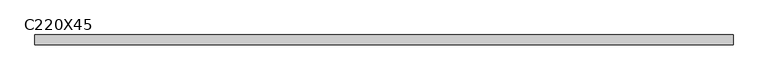
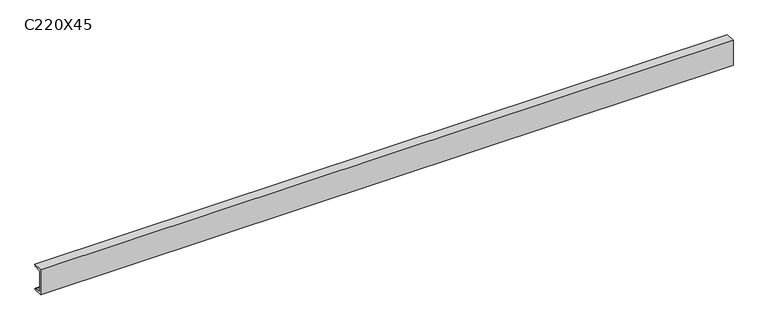
"""IFC4 building model written with IfcOpenShell, lengths in millimetres: beam geometry, C220X45."""

import ifcopenshell
import ifcopenshell.guid

model = None  # the IFC model being written
_history = None  # IfcOwnerHistory: only IFC2X3 demands one
_inside = {}  # id of a spatial element -> (the spatial element, [elements in it])
_under = {}  # id of a project, library or spatial element -> (it, [spatial elements below it])
_declared = {}  # id of a project -> (the project, [libraries it declares])
_typed = {}  # id of a type object -> (the type object, [elements of that type])
_made_of = {}  # id of a material, layer set ... -> (it, [elements and type objects made of it])


def new_model(schema):
    """Start an empty IFC model of exactly this schema.

    Asked for "IFC4X3", IfcOpenShell would pick the latest addendum, in which some entities
    have other attributes; the version numbers below select the first issue.
    IFC2X3 requires an IfcOwnerHistory on every rooted entity: one is made here for all.
    """
    global model, _history
    if schema == "IFC4X3":
        model = ifcopenshell.file(schema_version=(4, 3, 0, 0))
    else:
        model = ifcopenshell.file(schema=schema)
    _inside.clear()
    _under.clear()
    _declared.clear()
    _typed.clear()
    _made_of.clear()
    _history = None
    if model.schema == "IFC2X3":
        org = make("IfcOrganization", Name="unknown")
        user = make(
            "IfcPersonAndOrganization",
            ThePerson=make("IfcPerson", FamilyName="unknown"),
            TheOrganization=org,
        )
        app = make(
            "IfcApplication",
            ApplicationDeveloper=org,
            Version="unknown",
            ApplicationFullName="unknown",
            ApplicationIdentifier="unknown",
        )
        _history = make(
            "IfcOwnerHistory",
            OwningUser=user,
            OwningApplication=app,
            ChangeAction="ADDED",
            CreationDate=0,
        )
    return model


def make(cls, **values):
    """One entity of the class cls with the attributes given. An attribute that is None is left unset."""
    return model.create_entity(
        cls, **{name: value for name, value in values.items() if value is not None}
    )


def rooted(cls, **values):
    """An entity with a GlobalId (a new one), such as an element, a storey or a relation."""
    return make(cls, GlobalId=ifcopenshell.guid.new(), OwnerHistory=_history, **values)


def si_unit(unit_type, name, prefix=None):
    """IfcSIUnit, for example si_unit("LENGTHUNIT", "METRE", prefix="MILLI")."""
    return make("IfcSIUnit", UnitType=unit_type, Prefix=prefix, Name=name)


def assignment(units):
    """IfcUnitAssignment: the units of a project."""
    return None if units is None else make("IfcUnitAssignment", Units=units)


def point(xyz):
    """IfcCartesianPoint."""
    return None if xyz is None else make("IfcCartesianPoint", Coordinates=xyz)


def direction(xyz):
    """IfcDirection."""
    return None if xyz is None else make("IfcDirection", DirectionRatios=xyz)


def frame(location, z_axis=None, x_axis=None):
    """IfcAxis2Placement3D, a coordinate frame: its origin and axes. An axis left out is left unset."""
    return make(
        "IfcAxis2Placement3D",
        Location=point(location),
        Axis=direction(z_axis),
        RefDirection=direction(x_axis),
    )


def frame_2d(location, x_axis=None):
    """IfcAxis2Placement2D, a coordinate frame in the plane: its origin and x axis."""
    return make(
        "IfcAxis2Placement2D", Location=point(location), RefDirection=direction(x_axis)
    )


def origin():
    """The frame at (0, 0, 0) with its axes left unset."""
    return frame((0.0, 0.0, 0.0))


def place(relative_to, where):
    """IfcLocalPlacement: puts the frame where relative to a parent placement (None: the world)."""
    return make(
        "IfcLocalPlacement", PlacementRelTo=relative_to, RelativePlacement=where
    )


def context(
    kind, dimensions, precision=None, world=None, true_north=None, identifier=None
):
    """IfcGeometricRepresentationContext, for example the 3D "Model" context."""
    return make(
        "IfcGeometricRepresentationContext",
        ContextIdentifier=identifier,
        ContextType=kind,
        CoordinateSpaceDimension=dimensions,
        Precision=precision,
        WorldCoordinateSystem=world,
        TrueNorth=true_north,
    )


def project(units=None, contexts=None):
    """IfcProject with its units and contexts."""
    return rooted(
        "IfcProject",
        Name="project",
        RepresentationContexts=contexts,
        UnitsInContext=assignment(units),
    )


def spatial(cls, under=None, at=None, **own):
    """A site, building, storey or space (cls), placed at a placement, below another one or the project."""
    s = rooted(cls, ObjectPlacement=at, **own)
    if under is not None:
        _under.setdefault(under.id(), (under, []))[1].append(s)
    return s


def polyline(points):
    """IfcPolyline through the points."""
    return make("IfcPolyline", Points=[point(p) for p in points])


def circle_curve(where, radius):
    """IfcCircle in the frame where."""
    return make("IfcCircle", Position=where, Radius=radius)


def trimmed(basis, trim1, trim2, sense, master):
    """IfcTrimmedCurve: the piece of a basis curve between two trims."""
    return make(
        "IfcTrimmedCurve",
        BasisCurve=basis,
        Trim1=trim1,
        Trim2=trim2,
        SenseAgreement=sense,
        MasterRepresentation=master,
    )


def segment(curve, same_sense, transition):
    """IfcCompositeCurveSegment."""
    return make(
        "IfcCompositeCurveSegment",
        Transition=transition,
        SameSense=same_sense,
        ParentCurve=curve,
    )


def composite_curve(segments, self_intersect=None):
    """IfcCompositeCurve: segments joined end to end."""
    return make("IfcCompositeCurve", Segments=segments, SelfIntersect=self_intersect)


def outline(outer, holes=None, kind="AREA"):
    """IfcArbitraryClosedProfileDef: a profile drawn as a closed curve; with holes, ...WithVoids."""
    if holes is None:
        return make("IfcArbitraryClosedProfileDef", ProfileType=kind, OuterCurve=outer)
    return make(
        "IfcArbitraryProfileDefWithVoids",
        ProfileType=kind,
        OuterCurve=outer,
        InnerCurves=holes,
    )


def extrude(swept, where, along, depth):
    """IfcExtrudedAreaSolid: the profile swept, set in the frame where, extruded along a direction by depth."""
    return make(
        "IfcExtrudedAreaSolid",
        SweptArea=swept,
        Position=where,
        ExtrudedDirection=direction(along),
        Depth=depth,
    )


def shape(context_of_items, identifier, shape_type, items):
    """IfcShapeRepresentation: the items that make up one representation, for example the "Body"."""
    return make(
        "IfcShapeRepresentation",
        ContextOfItems=context_of_items,
        RepresentationIdentifier=identifier,
        RepresentationType=shape_type,
        Items=items,
    )


def source(mapping_origin, context_of_items, identifier, shape_type, items):
    """IfcRepresentationMap: a shape defined once, which mapped items show again and again."""
    return make(
        "IfcRepresentationMap",
        MappingOrigin=mapping_origin,
        MappedRepresentation=shape(context_of_items, identifier, shape_type, items),
    )


def transform(
    local_origin,
    x_axis=None,
    y_axis=None,
    z_axis=None,
    scale=None,
    scale2=None,
    scale3=None,
    uniform=True,
):
    """IfcCartesianTransformationOperator3D, or its non-uniform kind. x_axis, y_axis, z_axis: its Axis1, 2, 3."""
    if uniform:
        return make(
            "IfcCartesianTransformationOperator3D",
            Axis1=direction(x_axis),
            Axis2=direction(y_axis),
            LocalOrigin=point(local_origin),
            Scale=scale,
            Axis3=direction(z_axis),
        )
    return make(
        "IfcCartesianTransformationOperator3DnonUniform",
        Axis1=direction(x_axis),
        Axis2=direction(y_axis),
        LocalOrigin=point(local_origin),
        Scale=scale,
        Axis3=direction(z_axis),
        Scale2=scale2,
        Scale3=scale3,
    )


def mapped(mapping_source, mapping_target):
    """IfcMappedItem: shows the shape of a source again, moved by a transform."""
    return make(
        "IfcMappedItem", MappingSource=mapping_source, MappingTarget=mapping_target
    )


def made_of(thing, what):
    """Note that an element or type object is made of a material, layer set ...; save() writes the relation."""
    if what is not None:
        _made_of.setdefault(what.id(), (what, []))[1].append(thing)
    return thing


def element(
    cls,
    number,
    at=None,
    inside=None,
    cuts=None,
    type_object=None,
    material=None,
    context=None,
    identifier="Body",
    shape_type=None,
    held_by="IfcProductDefinitionShape",
    body=None,
    shapes=None,
    **own,
):
    """One element of the class cls, such as IfcWall. Its Tag is "e" and its number.

    at: its placement. inside: the storey or other place that contains it. cuts: it is an
    opening in that element (IfcRelVoidsElement). A single representation is given by context,
    identifier, shape_type and body (its items); several are given by shapes. held_by: the class
    of the entity that holds the representations. save() writes the other relations.
    """
    e = rooted(cls, Tag="e%d" % number, ObjectPlacement=at, **own)
    if body is not None:
        shapes = [shape(context, identifier, shape_type, body)]
    if shapes is not None:
        e.Representation = make(held_by, Representations=shapes)
    if inside is not None:
        _inside.setdefault(inside.id(), (inside, []))[1].append(e)
    if cuts is not None:
        rooted(
            "IfcRelVoidsElement", RelatingBuildingElement=cuts, RelatedOpeningElement=e
        )
    if type_object is not None:
        _typed.setdefault(type_object.id(), (type_object, []))[1].append(e)
    return made_of(e, material)


def aggregate(whole, parts):
    """IfcRelAggregates: a whole, such as a stair, and the parts it consists of."""
    return rooted("IfcRelAggregates", RelatingObject=whole, RelatedObjects=parts)


def save(model, path):
    """Write the relations noted so far, then the file.

    IfcRelAggregates (storeys below a building ...), IfcRelContainedInSpatialStructure (elements
    in a storey), IfcRelDefinesByType, IfcRelAssociatesMaterial and IfcRelDeclares: one each for
    every whole, place, type object, material and project.
    """
    for whole, parts in _under.values():
        aggregate(whole, parts)
    for where, things in _inside.values():
        rooted(
            "IfcRelContainedInSpatialStructure",
            RelatedElements=things,
            RelatingStructure=where,
        )
    for kind, things in _typed.values():
        rooted("IfcRelDefinesByType", RelatedObjects=things, RelatingType=kind)
    for what, things in _made_of.values():
        rooted("IfcRelAssociatesMaterial", RelatedObjects=things, RelatingMaterial=what)
    for by, libraries in _declared.values():
        rooted("IfcRelDeclares", RelatingContext=by, RelatedDefinitions=libraries)
    model.write(path)


def c220x45_6b8e3087(model_context):
    return source(origin(), model_context, "Body", "SweptSolid", [
        extrude(outline(composite_curve([segment(polyline([(-17.0, 110.0), (64.0, 110.0)]), True, "CONTINUOUS"), segment(trimmed(circle_curve(frame_2d((51.0, 110.0)), 13.0), [point((64.0, 110.0))], [point((51.0, 97.0))], False, "CARTESIAN"), True, "CONTINUOUS"), segment(polyline([(51.0, 97.0), (-4.0, 88.2888558), (-4.0, -88.2888558), (51.0, -97.0)]), True, "CONTINUOUS"), segment(trimmed(circle_curve(frame_2d((51.0, -110.0)), 13.0), [point((51.0, -97.0))], [point((64.0, -110.0))], False, "CARTESIAN"), True, "CONTINUOUS"), segment(polyline([(64.0, -110.0), (-17.0, -110.0), (-17.0, 110.0)]), True, "CONTINUOUS")], self_intersect=False)), frame((-2888.5, 0.0, 0.0), z_axis=(1.0, 0.0, 0.0), x_axis=(0.0, 1.0, 0.0)), (0.0, 0.0, 1.0), 5777.0),
    ])


if __name__ == "__main__":
    model = new_model("IFC4")
    model_context = context("Model", 3, world=origin())
    ifc_project = project(units=[si_unit("LENGTHUNIT", "METRE", prefix="MILLI")], contexts=[model_context])
    site = spatial("IfcSite", under=ifc_project)
    building = spatial("IfcBuilding", under=site)
    placement = place(None, origin())
    c220x45_shape = c220x45_6b8e3087(model_context)
    element("IfcBeam", 1, ObjectType="C220X45", at=placement, inside=building, context=model_context, shape_type="MappedRepresentation", body=[
        mapped(c220x45_shape, transform((0.0, 0.0, 0.0), x_axis=(1.0, 0.0, 0.0), y_axis=(0.0, 1.0, 0.0), z_axis=(0.0, 0.0, 1.0))),
    ])
    save(model, "model.ifc")
